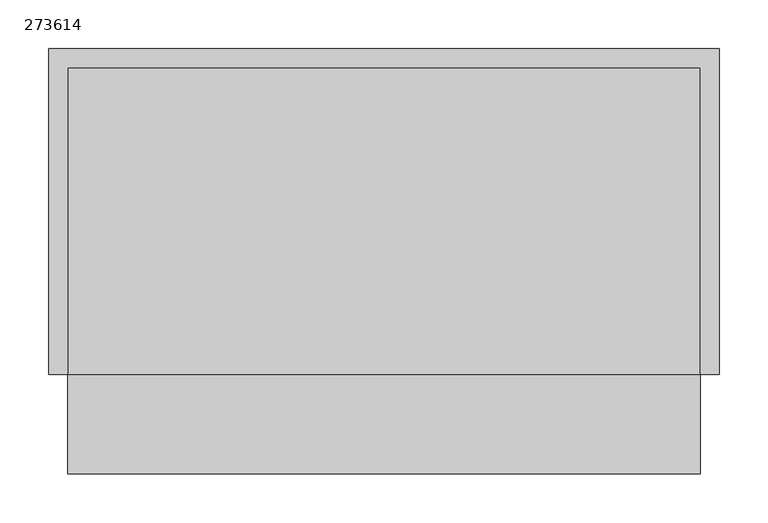
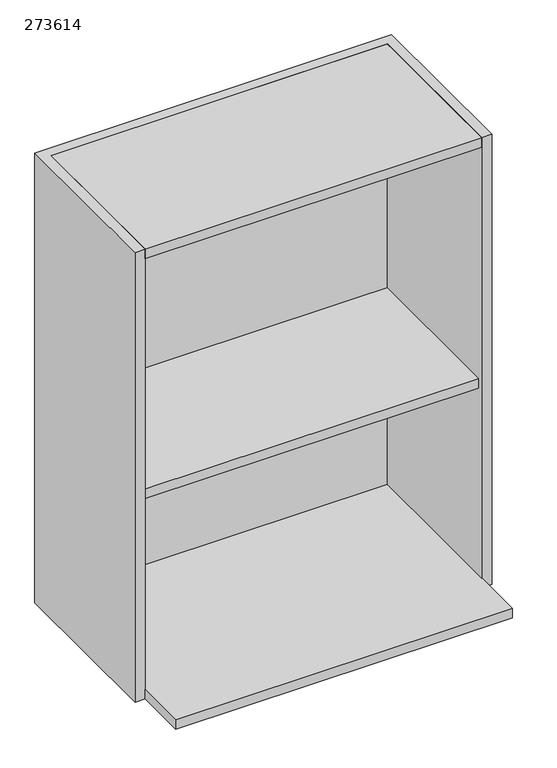
"""IFC4 building model written with IfcOpenShell, lengths in millimetres: furniture geometry, 273614."""

from ifc_helpers import new_model, si_unit, frame, origin, place, context, project, spatial, polyline, outline, extrude, source, transform, mapped, element, save


def furniture_273614_cc6aeba9(model_context):
    return source(origin(), model_context, "Body", "SweptSolid", [
        extrude(outline(polyline([(323.7, -397.1), (323.7, -82.7), (-323.7, -82.7), (-323.7, -397.1), (-342.9, -397.1), (-342.9, -63.5), (342.9, -63.5), (342.9, -397.1), (323.7, -397.1)])), frame((0.0, 0.0, 1219.2), z_axis=(0.0, 0.0, 1.0), x_axis=(1.0, 0.0, 0.0)), (0.0, 0.0, 1.0), 914.4),
        extrude(outline(polyline([(323.7, -82.7), (323.7, -387.1), (-323.7, -387.1), (-323.7, -82.7), (323.7, -82.7)])), frame((0.0, 0.0, 1619.2), z_axis=(0.0, 0.0, 1.0), x_axis=(1.0, 0.0, 0.0)), (0.0, 0.0, 1.0), 19.2),
        extrude(outline(polyline([(323.7, -397.1), (-323.7, -397.1), (-323.7, -82.7), (323.7, -82.7), (323.7, -397.1)])), frame((0.0, 0.0, 2114.4), z_axis=(0.0, 0.0, 1.0), x_axis=(1.0, 0.0, 0.0)), (0.0, 0.0, 1.0), 19.2),
        extrude(outline(polyline([(-323.7, -498.7), (-323.7, -82.7), (323.7, -82.7), (323.7, -498.7), (-323.7, -498.7)])), frame((0.0, 0.0, 1219.2), z_axis=(0.0, 0.0, 1.0), x_axis=(1.0, 0.0, 0.0)), (0.0, 0.0, 1.0), 19.2),
    ])


if __name__ == "__main__":
    model = new_model("IFC4")
    model_context = context("Model", 3, world=origin())
    ifc_project = project(units=[si_unit("LENGTHUNIT", "METRE", prefix="MILLI")], contexts=[model_context])
    site = spatial("IfcSite", under=ifc_project)
    building = spatial("IfcBuilding", under=site)
    placement = place(None, origin())
    furniture_273614_shape = furniture_273614_cc6aeba9(model_context)
    element("IfcFurniture", 1, ObjectType="273614", at=placement, inside=building, context=model_context, shape_type="MappedRepresentation", body=[
        mapped(furniture_273614_shape, transform((0.0, 0.0, 0.0), x_axis=(1.0, 0.0, 0.0), y_axis=(0.0, 1.0, 0.0), z_axis=(0.0, 0.0, 1.0))),
    ])
    save(model, "model.ifc")
